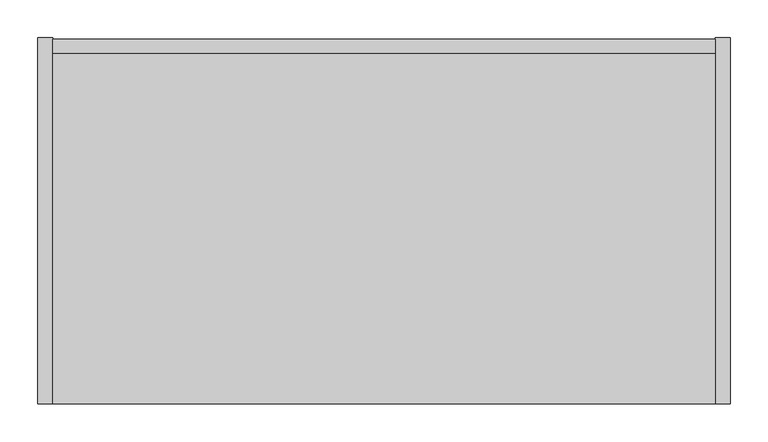
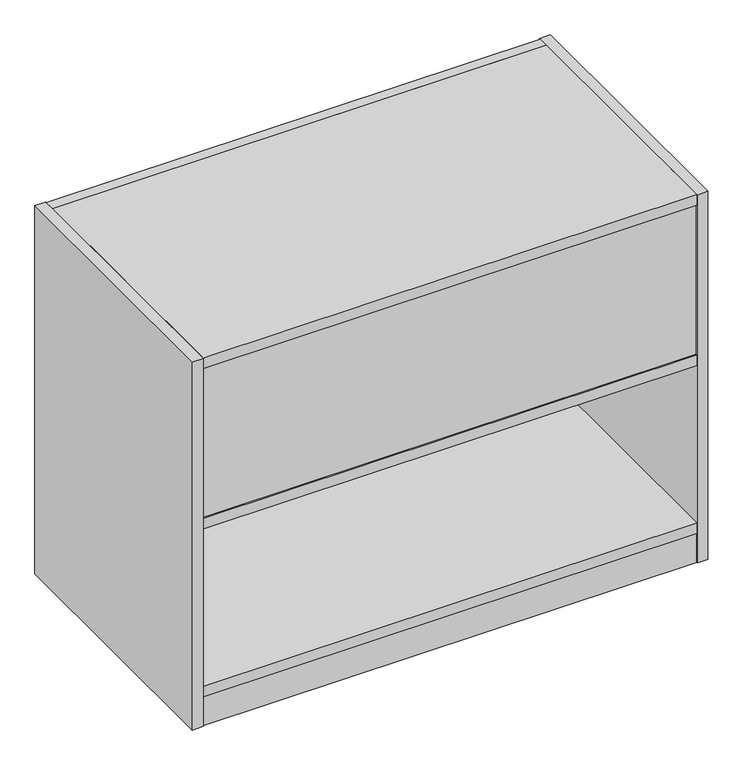
"""IFC4 building model written with IfcOpenShell, lengths in millimetres: furniture geometry."""

from ifc_helpers import new_model, si_unit, frame, origin, origin_with_axes, place, context, project, spatial, polyline, outline, extrude, source, transform, mapped, element, save


def furniture_b12dec88(model_context):
    return source(origin(), model_context, "Body", "SweptSolid", [
        extrude(outline(polyline([(34.8521422, -417.7168713), (50.8, -408.5093713), (66.7478578, -417.7168713), (66.7478578, -436.1318713), (50.8, -445.3393713), (34.8521422, -436.1318713), (34.8521422, -417.7168713)])), origin_with_axes(), (0.0, 0.0, 1.0), 9.144),
        extrude(outline(polyline([(844.4771422, -417.7168713), (860.425, -408.5093713), (876.3728578, -417.7168713), (876.3728578, -436.1318713), (860.425, -445.3393713), (844.4771422, -436.1318713), (844.4771422, -417.7168713)])), origin_with_axes(), (0.0, 0.0, 1.0), 9.144),
        extrude(outline(polyline([(844.4771422, -24.2708713), (860.425, -15.0633713), (876.3728578, -24.2708713), (876.3728578, -42.6858713), (860.425, -51.8933713), (844.4771422, -42.6858713), (844.4771422, -24.2708713)])), origin_with_axes(), (0.0, 0.0, 1.0), 9.144),
        extrude(outline(polyline([(34.8521422, -24.2708713), (50.8, -15.0633713), (66.7478578, -24.2708713), (66.7478578, -42.6858713), (50.8, -51.8933713), (34.8521422, -42.6858713), (34.8521422, -24.2708713)])), origin_with_axes(), (0.0, 0.0, 1.0), 9.144),
        extrude(outline(polyline([(891.921, -3.6460713), (891.921, -464.6433713), (19.304, -464.6433713), (19.304, -3.6460713), (891.921, -3.6460713)])), frame((0.0, 0.0, 673.93058), z_axis=(0.0, 0.0, 1.0), x_axis=(1.0, 0.0, 0.0)), (0.0, 0.0, 1.0), 19.304),
        extrude(outline(polyline([(891.921, -3.6460713), (891.921, -464.6433713), (19.304, -464.6433713), (19.304, -3.6460713), (891.921, -3.6460713)])), frame((0.0, 0.0, 374.02008), z_axis=(0.0, 0.0, 1.0), x_axis=(1.0, 0.0, 0.0)), (0.0, 0.0, 1.0), 19.304),
        extrude(outline(polyline([(891.921, 15.6579287), (891.921, -3.6460713), (19.304, -3.6460713), (19.304, 15.6579287), (891.921, 15.6579287)])), frame((0.0, 0.0, 4.699), z_axis=(0.0, 0.0, 1.0), x_axis=(1.0, 0.0, 0.0)), (0.0, 0.0, 1.0), 688.53558),
        extrude(outline(polyline([(891.921, -3.6460713), (891.921, -464.6433713), (19.304, -464.6433713), (19.304, -3.6460713), (891.921, -3.6460713)])), frame((0.0, 0.0, 60.26658), z_axis=(0.0, 0.0, 1.0), x_axis=(1.0, 0.0, 0.0)), (0.0, 0.0, 1.0), 19.304),
        extrude(outline(polyline([(909.6375, -462.1033713), (1.5875, -462.1033713), (1.5875, -442.7993713), (909.6375, -442.7993713), (909.6375, -462.1033713)])), frame((0.0, 0.0, 385.25958), z_axis=(0.0, 0.0, 1.0), x_axis=(1.0, 0.0, 0.0)), (0.0, 0.0, 1.0), 304.8),
        extrude(outline(polyline([(891.921, -444.1963713), (891.921, -463.5003713), (19.304, -463.5003713), (19.304, -444.1963713), (891.921, -444.1963713)])), frame((0.0, 0.0, 4.699), z_axis=(0.0, 0.0, 1.0), x_axis=(1.0, 0.0, 0.0)), (0.0, 0.0, 1.0), 55.56758),
        extrude(outline(polyline([(19.304, 17.3216287), (19.304, -465.0243713), (0.0, -465.0243713), (0.0, 17.3216287), (19.304, 17.3216287)])), frame((0.0, 0.0, 4.699), z_axis=(0.0, 0.0, 1.0), x_axis=(1.0, 0.0, 0.0)), (0.0, 0.0, 1.0), 688.53558),
        extrude(outline(polyline([(911.225, 17.3216287), (911.225, -465.0243713), (891.921, -465.0243713), (891.921, 17.3216287), (911.225, 17.3216287)])), frame((0.0, 0.0, 4.699), z_axis=(0.0, 0.0, 1.0), x_axis=(1.0, 0.0, 0.0)), (0.0, 0.0, 1.0), 688.53558),
    ])


if __name__ == "__main__":
    model = new_model("IFC4")
    model_context = context("Model", 3, world=origin())
    ifc_project = project(units=[si_unit("LENGTHUNIT", "METRE", prefix="MILLI")], contexts=[model_context])
    site = spatial("IfcSite", under=ifc_project)
    building = spatial("IfcBuilding", under=site)
    placement = place(None, origin())
    furniture_shape = furniture_b12dec88(model_context)
    element("IfcFurniture", 1, at=placement, inside=building, context=model_context, shape_type="MappedRepresentation", body=[
        mapped(furniture_shape, transform((0.0, 0.0, 0.0), x_axis=(1.0, 0.0, 0.0), y_axis=(0.0, 1.0, 0.0), z_axis=(0.0, 0.0, 1.0))),
    ])
    save(model, "model.ifc")
